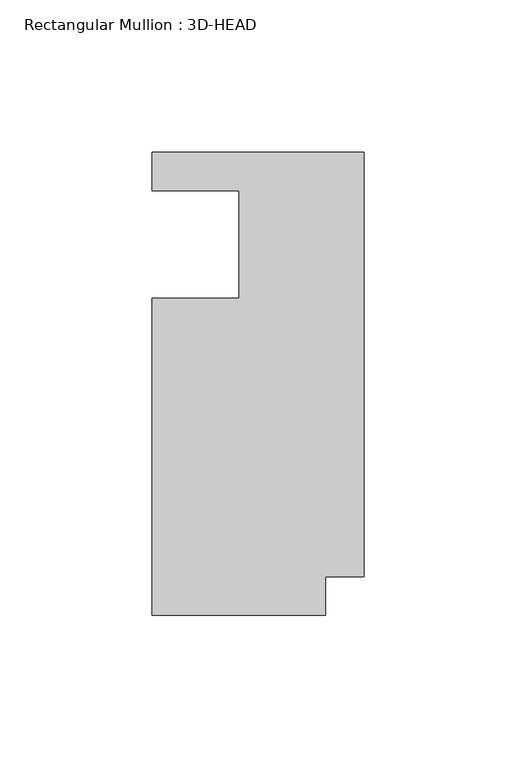
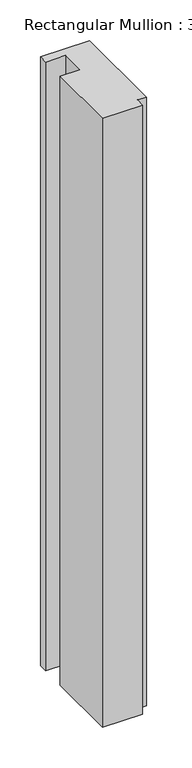
"""IFC4 building model written with IfcOpenShell, lengths in millimetres: member geometry, Rectangular Mullion : 3D-HEAD."""

from ifc_helpers import new_model, si_unit, frame, origin, place, context, project, spatial, polyline, outline, extrude, source, transform, mapped, element, save


def rectangular_mullion_3d_head_b12e0a42(model_context):
    return source(origin(), model_context, "Body", "SweptSolid", [
        extrude(outline(polyline([(0.0, 7.14375), (0.0, -132.49275), (-12.7, -132.49275), (-12.7, -145.25625), (-69.85, -145.25625), (-69.85, -41.01465), (-41.2496, -41.01465), (-41.2496, -5.55625), (-69.85, -5.55625), (-69.85, 7.14375), (0.0, 7.14375)])), frame((0.0, 0.0, -914.4), z_axis=(0.0, 0.0, 1.0), x_axis=(1.0, 0.0, 0.0)), (0.0, 0.0, 1.0), 914.4),
    ])


if __name__ == "__main__":
    model = new_model("IFC4")
    model_context = context("Model", 3, world=origin())
    ifc_project = project(units=[si_unit("LENGTHUNIT", "METRE", prefix="MILLI")], contexts=[model_context])
    site = spatial("IfcSite", under=ifc_project)
    building = spatial("IfcBuilding", under=site)
    placement = place(None, origin())
    rectangular_mullion_3d_head_shape = rectangular_mullion_3d_head_b12e0a42(model_context)
    element("IfcMember", 1, ObjectType="Rectangular Mullion : 3D-HEAD", at=placement, inside=building, context=model_context, shape_type="MappedRepresentation", body=[
        mapped(rectangular_mullion_3d_head_shape, transform((0.0, 0.0, 0.0), x_axis=(1.0, 0.0, 0.0), y_axis=(0.0, 1.0, 0.0), z_axis=(0.0, 0.0, 1.0))),
    ])
    save(model, "model.ifc")
